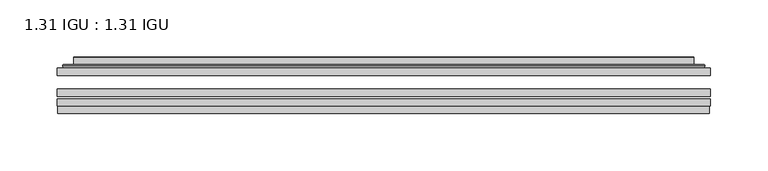
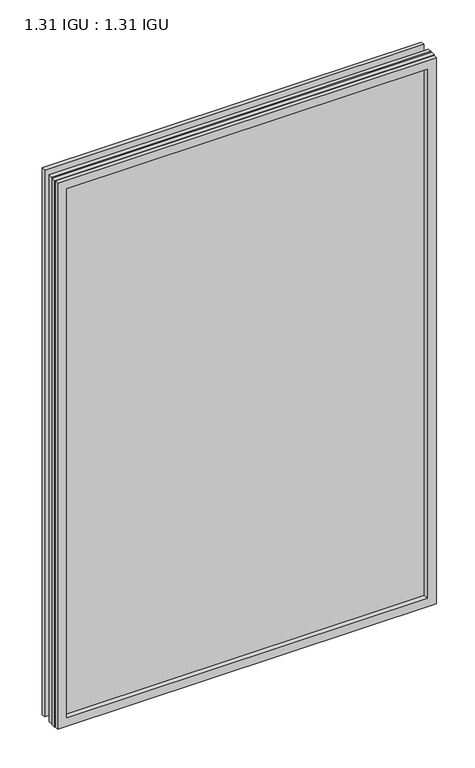
"""IFC4 building model written with IfcOpenShell, lengths in millimetres: plate geometry, 1.31 IGU : 1.31 IGU."""

from ifc_helpers import new_model, si_unit, frame, origin, place, context, project, spatial, polyline, ellipse_curve, outline, extrude, faceted_brep, source, transform, mapped, element, save
from ifc_brep_helpers import plane_surface, cylinder_surface, advanced_brep


def plate_1_31_igu_1_31_igu_6fd3dd51(model_context):
    return source(origin(), model_context, "Body", "SolidModel", [
        extrude(outline(polyline([(285.764175, -63.59525), (285.764175, -69.94525), (-285.75, -69.94525), (-285.75, -63.59525), (285.764175, -63.59525)])), frame((0.0, 0.0, -14.2875), z_axis=(0.0, 0.0, 1.0), x_axis=(1.0, 0.0, 0.0)), (0.0, 0.0, 1.0), 869.9537979),
        extrude(outline(polyline([(-285.75, -78.58125), (-285.75, -72.230745), (285.764175, -72.230745), (285.764175, -78.58125), (-285.75, -78.58125)])), frame((0.0, 0.0, -14.2875), z_axis=(0.0, 0.0, 1.0), x_axis=(1.0, 0.0, 0.0)), (0.0, 0.0, 1.0), 869.9537979),
        extrude(outline(polyline([(285.764175, -45.25645), (285.764175, -51.60645), (-285.75, -51.60645), (-285.75, -45.25645), (285.764175, -45.25645)])), frame((0.0, 0.0, -14.2875), z_axis=(0.0, 0.0, 1.0), x_axis=(1.0, 0.0, 0.0)), (0.0, 0.0, 1.0), 869.9537979),
        faceted_brep([(-285.0498142, -84.93125, 854.9623142), (-285.0498142, -78.58125, 854.9623142), (-285.0498142, -78.58125, -13.5873142), (-285.0498142, -84.93125, -13.5873142), (285.0498142, -78.58125, -13.5873142), (285.0498142, -84.93125, -13.5873142), (285.0498142, -78.58125, 854.9623142), (285.0498142, -84.93125, 854.9623142), (-270.5647559, -78.58125, 0.8977441), (270.5647559, -78.58125, 0.8977441), (270.5647559, -78.58125, 840.4772559), (-270.5647559, -78.58125, 840.4772559), (-271.4571902, -84.93125, 841.3696902), (271.4571902, -84.93125, 841.3696902), (271.4571902, -84.93125, 0.0053098), (-271.4571902, -84.93125, 0.0053098)], [[[0, 1, 2, 3]], [[3, 2, 4, 5]], [[5, 4, 6, 7]], [[1, 6, 4, 2], [8, 9, 10, 11]], [[7, 6, 1, 0]], [[3, 5, 7, 0], [12, 13, 14, 15]], [[11, 12, 15, 8]], [[8, 15, 14, 9]], [[9, 14, 13, 10]], [[10, 13, 12, 11]]]),
        advanced_brep(
        [(-278.508719, -45.25645, 848.421219), (-280.8629244, -43.2667833, 850.7754244), (-280.8629244, -43.2667833, -9.4004244), (-278.508719, -45.25645, -7.046219), (-269.4343939, -41.416413, 839.3468939), (-264.4995621, -45.25645, 834.4120621), (-264.4995621, -45.25645, 6.9629379), (-269.4343939, -41.416413, 2.0281061), (-270.4664217, -36.0191819, 840.3789217), (-270.4664217, -36.0191819, 0.9960783), (-271.4570784, -35.6202069, 841.3695784), (-271.4570784, -35.6202069, 0.0054216), (-271.4570784, -42.08145, 841.3695784), (-271.4570784, -42.08145, 0.0054216), (-279.8611349, -42.08145, 849.7736349), (-279.8611349, -42.08145, -8.3986349), (280.8629244, -43.2667833, -9.4004244), (278.508719, -45.25645, -7.046219), (264.4995621, -45.25645, 6.9629379), (269.4343939, -41.416413, 2.0281061), (270.4664217, -36.0191819, 0.9960783), (271.4570784, -35.6202069, 0.0054216), (271.4570784, -42.08145, 0.0054216), (279.8611349, -42.08145, -8.3986349), (280.8629244, -43.2667833, 850.7754244), (278.508719, -45.25645, 848.421219), (264.4995621, -45.25645, 834.4120621), (269.4343939, -41.416413, 839.3468939), (270.4664217, -36.0191819, 840.3789217), (271.4570784, -35.6202069, 841.3695784), (271.4570784, -42.08145, 841.3695784), (279.8611349, -42.08145, 849.7736349)],
        [
            (0, 1, ellipse_curve(frame((-278.508719, -42.86885, 848.421219), z_axis=(-0.7071067811865475, 0.0, -0.7071067811865475), x_axis=(-0.7071067811865474, 0.0, 0.7071067811865476)), 3.3765763, 2.3876)),
            (1, 2),
            (2, 3, ellipse_curve(frame((-278.508719, -42.86885, -7.046219), z_axis=(-0.7071067811865475, 0.0, 0.7071067811865475), x_axis=(0.7071067811865474, 0.0, 0.7071067811865476)), 3.3765763, 2.3876)),
            (3, 0),
            (4, 5),
            (5, 6),
            (6, 7),
            (7, 4),
            (8, 4),
            (7, 9),
            (9, 8),
            (10, 8, ellipse_curve(frame((-271.0901219, -36.1384423, 841.0026219), z_axis=(-0.7071067811865475, 0.0, -0.7071067811865475), x_axis=(-0.7071067811865474, 0.0, 0.7071067811865476)), 0.8980256, 0.635)),
            (9, 11, ellipse_curve(frame((-271.0901219, -36.1384423, 0.3723781), z_axis=(-0.7071067811865475, 0.0, 0.7071067811865475), x_axis=(0.7071067811865474, 0.0, 0.7071067811865476)), 0.8980256, 0.635)),
            (11, 10),
            (12, 10),
            (11, 13),
            (13, 12),
            (1, 14, ellipse_curve(frame((-279.8611349, -43.09745, 849.7736349), z_axis=(-0.7071067811865475, 0.0, -0.7071067811865475), x_axis=(-0.7071067811865474, 0.0, 0.7071067811865476)), 1.436841, 1.016)),
            (14, 15),
            (15, 2, ellipse_curve(frame((-279.8611349, -43.09745, -8.3986349), z_axis=(-0.7071067811865475, 0.0, 0.7071067811865475), x_axis=(0.7071067811865474, 0.0, 0.7071067811865476)), 1.436841, 1.016)),
            (2, 16),
            (16, 17, ellipse_curve(frame((278.508719, -42.86885, -7.046219), z_axis=(-0.7071067811865475, 0.0, -0.7071067811865475), x_axis=(-0.7071067811865476, 0.0, 0.7071067811865474)), 3.3765763, 2.3876)),
            (17, 3),
            (6, 18),
            (18, 19),
            (19, 7),
            (19, 20),
            (20, 9),
            (20, 21, ellipse_curve(frame((271.0901219, -36.1384423, 0.3723781), z_axis=(-0.7071067811865475, 0.0, -0.7071067811865475), x_axis=(-0.7071067811865476, 0.0, 0.7071067811865474)), 0.8980256, 0.635)),
            (21, 11),
            (21, 22),
            (22, 13),
            (15, 23),
            (23, 16, ellipse_curve(frame((279.8611349, -43.09745, -8.3986349), z_axis=(-0.7071067811865475, 0.0, -0.7071067811865475), x_axis=(-0.7071067811865476, 0.0, 0.7071067811865474)), 1.436841, 1.016)),
            (16, 24),
            (24, 25, ellipse_curve(frame((278.508719, -42.86885, 848.421219), z_axis=(0.7071067811865475, 0.0, -0.7071067811865475), x_axis=(-0.7071067811865474, 0.0, -0.7071067811865476)), 3.3765763, 2.3876)),
            (25, 17),
            (18, 26),
            (26, 27),
            (27, 19),
            (27, 28),
            (28, 20),
            (28, 29, ellipse_curve(frame((271.0901219, -36.1384423, 841.0026219), z_axis=(0.7071067811865475, 0.0, -0.7071067811865475), x_axis=(-0.7071067811865474, 0.0, -0.7071067811865476)), 0.8980256, 0.635)),
            (29, 21),
            (29, 30),
            (30, 22),
            (23, 31),
            (31, 24, ellipse_curve(frame((279.8611349, -43.09745, 849.7736349), z_axis=(0.7071067811865475, 0.0, -0.7071067811865475), x_axis=(-0.7071067811865474, 0.0, -0.7071067811865476)), 1.436841, 1.016)),
            (24, 1),
            (0, 25),
            (5, 26),
            (4, 27),
            (8, 28),
            (10, 29),
            (12, 30),
            (14, 31),
        ],
        [
            cylinder_surface(frame((-278.508719, -42.86885, 873.125), z_axis=(0.0, 0.0, 1.0), x_axis=(-1.0, 0.0, 0.0)), 2.3876),
            plane_surface(frame((-264.4995621, -45.25645, 834.4120621), z_axis=(0.6141233906514794, 0.7892100234124821, 0.0), x_axis=(0.0, 0.0, -1.0))),
            plane_surface(frame((-269.4343939, -41.416413, 839.3468939), z_axis=(0.9822050625507729, 0.18781164793386074, 0.0), x_axis=(0.0, 0.0, -1.0))),
            cylinder_surface(frame((-271.0901219, -36.1384423, 873.125), z_axis=(0.0, 0.0, 1.0), x_axis=(-1.0, 0.0, 0.0)), 0.635),
            plane_surface(frame((-271.4570784, -35.6202069, 841.3695784), z_axis=(-1.0, 0.0, 0.0), x_axis=(0.0, 0.0, -1.0))),
            cylinder_surface(frame((-279.8611349, -43.09745, 873.125), z_axis=(0.0, 0.0, 1.0), x_axis=(-1.0, 0.0, 0.0)), 1.016),
            cylinder_surface(frame((-303.2125, -42.86885, -7.046219), z_axis=(-1.0, 0.0, 0.0), x_axis=(0.0, 0.0, -1.0)), 2.3876),
            plane_surface(frame((-264.4995621, -45.25645, 6.9629379), z_axis=(0.0, 0.7892100234124841, 0.6141233906514768), x_axis=(1.0, 0.0, 0.0))),
            plane_surface(frame((-269.4343939, -41.416413, 2.0281061), z_axis=(0.0, 0.18781164793386393, 0.9822050625507723), x_axis=(1.0, 0.0, 0.0))),
            cylinder_surface(frame((-303.2125, -36.1384423, 0.3723781), z_axis=(-1.0, 0.0, 0.0), x_axis=(0.0, 0.0, -1.0)), 0.635),
            plane_surface(frame((-271.4570784, -35.6202069, 0.0054216), z_axis=(0.0, 0.0, -1.0), x_axis=(1.0, 0.0, 0.0))),
            cylinder_surface(frame((-303.2125, -43.09745, -8.3986349), z_axis=(-1.0, 0.0, 0.0), x_axis=(0.0, 0.0, -1.0)), 1.016),
            cylinder_surface(frame((278.508719, -42.86885, -31.75), z_axis=(0.0, 0.0, -1.0), x_axis=(1.0, 0.0, 0.0)), 2.3876),
            plane_surface(frame((264.4995621, -45.25645, 6.9629379), z_axis=(-0.6141233906514743, 0.7892100234124861, 0.0), x_axis=(0.0, 0.0, 1.0))),
            plane_surface(frame((269.4343939, -41.416413, 2.0281061), z_axis=(-0.9822050625507718, 0.18781164793386712, 0.0), x_axis=(0.0, 0.0, 1.0))),
            cylinder_surface(frame((271.0901219, -36.1384423, -31.75), z_axis=(0.0, 0.0, -1.0), x_axis=(1.0, 0.0, 0.0)), 0.635),
            plane_surface(frame((271.4570784, -35.6202069, 0.0054216), z_axis=(1.0, 0.0, 0.0), x_axis=(0.0, 0.0, 1.0))),
            cylinder_surface(frame((279.8611349, -43.09745, -31.75), z_axis=(0.0, 0.0, -1.0), x_axis=(1.0, 0.0, 0.0)), 1.016),
            cylinder_surface(frame((303.2125, -42.86885, 848.421219), z_axis=(1.0, 0.0, 0.0), x_axis=(0.0, 0.0, 1.0)), 2.3876),
            plane_surface(frame((278.508719, -45.25645, 848.421219), z_axis=(0.0, -1.0, 0.0), x_axis=(-1.0, 0.0, 0.0))),
            plane_surface(frame((264.4995621, -45.25645, 834.4120621), z_axis=(0.0, 0.7892100234124841, -0.6141233906514768), x_axis=(-1.0, 0.0, 0.0))),
            plane_surface(frame((269.4343939, -41.416413, 839.3468939), z_axis=(0.0, 0.18781164793386393, -0.9822050625507723), x_axis=(-1.0, 0.0, 0.0))),
            cylinder_surface(frame((303.2125, -36.1384423, 841.0026219), z_axis=(1.0, 0.0, 0.0), x_axis=(0.0, 0.0, 1.0)), 0.635),
            plane_surface(frame((271.4570784, -35.6202069, 841.3695784), z_axis=(0.0, 0.0, 1.0), x_axis=(-1.0, 0.0, 0.0))),
            plane_surface(frame((271.4570784, -42.08145, 841.3695784), z_axis=(0.0, 1.0, 0.0), x_axis=(-1.0, 0.0, 0.0))),
            cylinder_surface(frame((303.2125, -43.09745, 849.7736349), z_axis=(1.0, 0.0, 0.0), x_axis=(0.0, 0.0, 1.0)), 1.016),
        ],
        [
            (0, [[1, 2, 3, 4]]),
            (1, [[5, 6, 7, 8]]),
            (2, [[9, -8, 10, 11]]),
            (3, [[12, -11, 13, 14]]),
            (4, [[15, -14, 16, 17]]),
            (5, [[18, 19, 20, -2]]),
            (6, [[-3, 21, 22, 23]]),
            (7, [[-7, 24, 25, 26]]),
            (8, [[-10, -26, 27, 28]]),
            (9, [[-13, -28, 29, 30]]),
            (10, [[-16, -30, 31, 32]]),
            (11, [[-20, 33, 34, -21]]),
            (12, [[-22, 35, 36, 37]]),
            (13, [[-25, 38, 39, 40]]),
            (14, [[-27, -40, 41, 42]]),
            (15, [[-29, -42, 43, 44]]),
            (16, [[-31, -44, 45, 46]]),
            (17, [[-34, 47, 48, -35]]),
            (18, [[-36, 49, -1, 50]]),
            (19, [[-23, -37, -50, -4], [51, -38, -24, -6]]),
            (20, [[-39, -51, -5, 52]]),
            (21, [[-41, -52, -9, 53]]),
            (22, [[-43, -53, -12, 54]]),
            (23, [[-45, -54, -15, 55]]),
            (24, [[56, -47, -33, -19], [-32, -46, -55, -17]]),
            (25, [[-48, -56, -18, -49]]),
        ],
    ),
    ])


if __name__ == "__main__":
    model = new_model("IFC4")
    model_context = context("Model", 3, world=origin())
    ifc_project = project(units=[si_unit("LENGTHUNIT", "METRE", prefix="MILLI")], contexts=[model_context])
    site = spatial("IfcSite", under=ifc_project)
    building = spatial("IfcBuilding", under=site)
    placement = place(None, origin())
    plate_1_31_igu_1_31_igu_shape = plate_1_31_igu_1_31_igu_6fd3dd51(model_context)
    element("IfcPlate", 1, ObjectType="1.31 IGU : 1.31 IGU", at=placement, inside=building, context=model_context, shape_type="MappedRepresentation", body=[
        mapped(plate_1_31_igu_1_31_igu_shape, transform((0.0, 0.0, 0.0), x_axis=(1.0, 0.0, 0.0), y_axis=(0.0, 1.0, 0.0), z_axis=(0.0, 0.0, 1.0))),
    ])
    save(model, "model.ifc")
